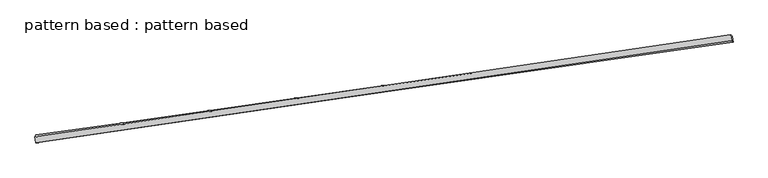
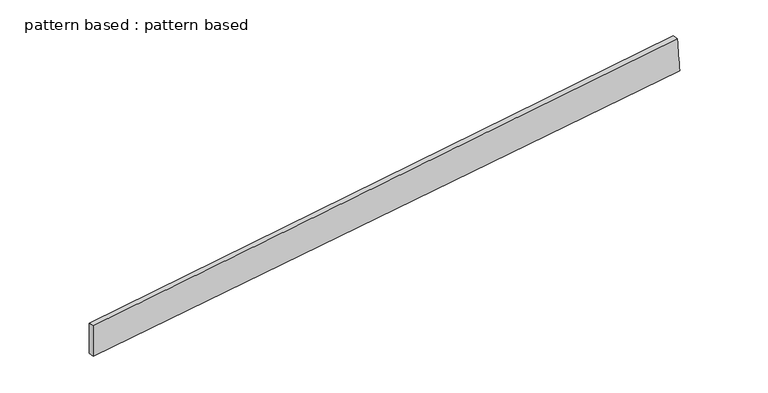
"""IFC4 building model written with IfcOpenShell, lengths in millimetres: plate geometry, pattern based : pattern based."""

from ifc_helpers import new_model, si_unit, frame, origin, place, context, project, spatial, source, transform, mapped, element, save
from ifc_brep_helpers import plane_surface, spline_surface, advanced_brep


def pattern_based_pattern_based_ce2a5691(model_context):
    return source(origin(), model_context, "Body", "AdvancedBrep", [
        advanced_brep(
        [(3433.6737344, 3433.6737344, -52.1392708), (3429.3819754, 3425.52118, 97.5775174), (3425.8008918, 3450.2633512, 97.605882), (3430.0926507, 3458.4159055, -52.1109062), (6275.2940637, 3844.6680172, 201.2731464), (6271.7129801, 3869.4101884, 201.301511), (6281.6360869, 3838.3978477, 51.538502), (6278.0550033, 3863.1400189, 51.5668667)],
        [
            (0, 1),
            (1, 2),
            (2, 3),
            (3, 0),
            (1, 4),
            (4, 5),
            (5, 2),
            (4, 6),
            (6, 7),
            (7, 5),
            (6, 0),
            (3, 7),
        ],
        [
            plane_surface(frame((3431.5278549, 3429.5974572, 22.7191233), z_axis=(-0.9890466667395147, -0.14310925111076817, -0.03614461589186683), x_axis=(-0.028611726117979203, -0.054350362409954785, 0.998111921196444))),
            plane_surface(frame((4852.3380196, 3635.0945986, 149.4253319), z_axis=(-0.03548780486153889, -0.006282027299829712, 0.9993503649066798), x_axis=(0.988685406200648, 0.14561390096157253, 0.03602442799841976))),
            plane_surface(frame((6278.4650753, 3841.5329325, 126.4058242), z_axis=(0.9890553984252071, 0.1431107967879065, 0.035898728232146765), x_axis=(0.04228015442206475, -0.04180112949385661, -0.9982309623103685))),
            plane_surface(frame((4857.6549106, 3636.035791, -0.3003844), z_axis=(0.035487804861538935, 0.006282027299829377, -0.9993503649066797), x_axis=(-0.9894103500718928, -0.14060516858805733, -0.036018685941308304))),
            spline_surface(1, 1, [[(3425.8008918, 3450.2633512, 97.605882), (3430.0926507, 3458.4159055, -52.1109062)], [(6271.7129801, 3869.4101884, 201.301511), (6278.0550033, 3863.1400189, 51.5668667)]], [2, 2], [2, 2], [0.0, 1.0], [0.0, 1.0]),
            spline_surface(1, 1, [[(6281.6360869, 3838.3978477, 51.538502), (3433.6737344, 3433.6737344, -52.1392708)], [(6275.2940637, 3844.6680172, 201.2731464), (3429.3819754, 3425.52118, 97.5775174)]], [2, 2], [2, 2], [0.0, 1.0], [0.0, 1.0]),
        ],
        [
            (0, [[1, 2, 3, 4]]),
            (1, [[5, 6, 7, -2]]),
            (2, [[8, 9, 10, -6]]),
            (3, [[11, -4, 12, -9]]),
            (4, [[-3, -7, -10, -12]]),
            (5, [[-11, -8, -5, -1]]),
        ],
    ),
    ])


if __name__ == "__main__":
    model = new_model("IFC4")
    model_context = context("Model", 3, world=origin())
    ifc_project = project(units=[si_unit("LENGTHUNIT", "METRE", prefix="MILLI")], contexts=[model_context])
    site = spatial("IfcSite", under=ifc_project)
    building = spatial("IfcBuilding", under=site)
    placement = place(None, origin())
    pattern_based_pattern_based_shape = pattern_based_pattern_based_ce2a5691(model_context)
    element("IfcPlate", 1, ObjectType="pattern based : pattern based", at=placement, inside=building, context=model_context, shape_type="MappedRepresentation", body=[
        mapped(pattern_based_pattern_based_shape, transform((0.0, 0.0, 0.0), x_axis=(1.0, 0.0, 0.0), y_axis=(0.0, 1.0, 0.0), z_axis=(0.0, 0.0, 1.0))),
    ])
    save(model, "model.ifc")
